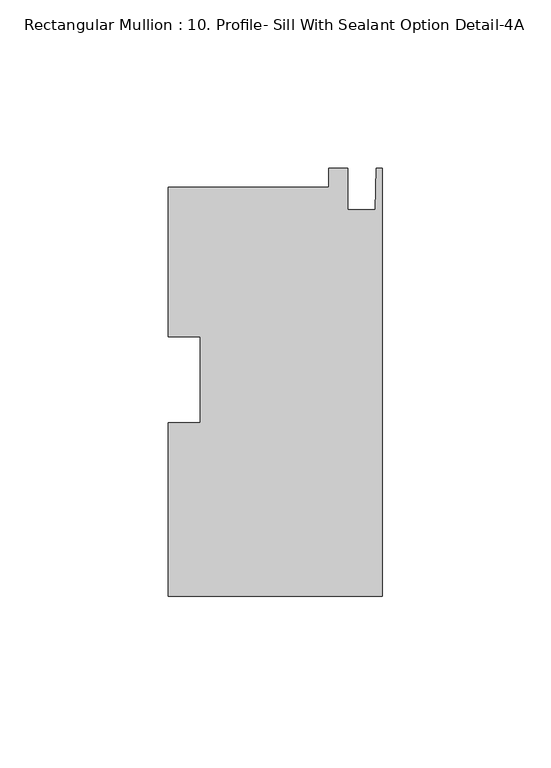
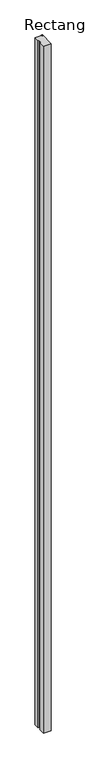
"""IFC4 building model written with IfcOpenShell, lengths in millimetres: member geometry, Rectangular Mullion : 10. Profile- Sill With Sealant Option Detail-4A."""

import ifcopenshell
import ifcopenshell.guid

model = None  # the IFC model being written
_history = None  # IfcOwnerHistory: only IFC2X3 demands one
_inside = {}  # id of a spatial element -> (the spatial element, [elements in it])
_under = {}  # id of a project, library or spatial element -> (it, [spatial elements below it])
_declared = {}  # id of a project -> (the project, [libraries it declares])
_typed = {}  # id of a type object -> (the type object, [elements of that type])
_made_of = {}  # id of a material, layer set ... -> (it, [elements and type objects made of it])


def new_model(schema):
    """Start an empty IFC model of exactly this schema.

    Asked for "IFC4X3", IfcOpenShell would pick the latest addendum, in which some entities
    have other attributes; the version numbers below select the first issue.
    IFC2X3 requires an IfcOwnerHistory on every rooted entity: one is made here for all.
    """
    global model, _history
    if schema == "IFC4X3":
        model = ifcopenshell.file(schema_version=(4, 3, 0, 0))
    else:
        model = ifcopenshell.file(schema=schema)
    _inside.clear()
    _under.clear()
    _declared.clear()
    _typed.clear()
    _made_of.clear()
    _history = None
    if model.schema == "IFC2X3":
        org = make("IfcOrganization", Name="unknown")
        user = make(
            "IfcPersonAndOrganization",
            ThePerson=make("IfcPerson", FamilyName="unknown"),
            TheOrganization=org,
        )
        app = make(
            "IfcApplication",
            ApplicationDeveloper=org,
            Version="unknown",
            ApplicationFullName="unknown",
            ApplicationIdentifier="unknown",
        )
        _history = make(
            "IfcOwnerHistory",
            OwningUser=user,
            OwningApplication=app,
            ChangeAction="ADDED",
            CreationDate=0,
        )
    return model


def make(cls, **values):
    """One entity of the class cls with the attributes given. An attribute that is None is left unset."""
    return model.create_entity(
        cls, **{name: value for name, value in values.items() if value is not None}
    )


def rooted(cls, **values):
    """An entity with a GlobalId (a new one), such as an element, a storey or a relation."""
    return make(cls, GlobalId=ifcopenshell.guid.new(), OwnerHistory=_history, **values)


def si_unit(unit_type, name, prefix=None):
    """IfcSIUnit, for example si_unit("LENGTHUNIT", "METRE", prefix="MILLI")."""
    return make("IfcSIUnit", UnitType=unit_type, Prefix=prefix, Name=name)


def assignment(units):
    """IfcUnitAssignment: the units of a project."""
    return None if units is None else make("IfcUnitAssignment", Units=units)


def point(xyz):
    """IfcCartesianPoint."""
    return None if xyz is None else make("IfcCartesianPoint", Coordinates=xyz)


def direction(xyz):
    """IfcDirection."""
    return None if xyz is None else make("IfcDirection", DirectionRatios=xyz)


def frame(location, z_axis=None, x_axis=None):
    """IfcAxis2Placement3D, a coordinate frame: its origin and axes. An axis left out is left unset."""
    return make(
        "IfcAxis2Placement3D",
        Location=point(location),
        Axis=direction(z_axis),
        RefDirection=direction(x_axis),
    )


def origin():
    """The frame at (0, 0, 0) with its axes left unset."""
    return frame((0.0, 0.0, 0.0))


def place(relative_to, where):
    """IfcLocalPlacement: puts the frame where relative to a parent placement (None: the world)."""
    return make(
        "IfcLocalPlacement", PlacementRelTo=relative_to, RelativePlacement=where
    )


def context(
    kind, dimensions, precision=None, world=None, true_north=None, identifier=None
):
    """IfcGeometricRepresentationContext, for example the 3D "Model" context."""
    return make(
        "IfcGeometricRepresentationContext",
        ContextIdentifier=identifier,
        ContextType=kind,
        CoordinateSpaceDimension=dimensions,
        Precision=precision,
        WorldCoordinateSystem=world,
        TrueNorth=true_north,
    )


def project(units=None, contexts=None):
    """IfcProject with its units and contexts."""
    return rooted(
        "IfcProject",
        Name="project",
        RepresentationContexts=contexts,
        UnitsInContext=assignment(units),
    )


def spatial(cls, under=None, at=None, **own):
    """A site, building, storey or space (cls), placed at a placement, below another one or the project."""
    s = rooted(cls, ObjectPlacement=at, **own)
    if under is not None:
        _under.setdefault(under.id(), (under, []))[1].append(s)
    return s


def polyline(points):
    """IfcPolyline through the points."""
    return make("IfcPolyline", Points=[point(p) for p in points])


def outline(outer, holes=None, kind="AREA"):
    """IfcArbitraryClosedProfileDef: a profile drawn as a closed curve; with holes, ...WithVoids."""
    if holes is None:
        return make("IfcArbitraryClosedProfileDef", ProfileType=kind, OuterCurve=outer)
    return make(
        "IfcArbitraryProfileDefWithVoids",
        ProfileType=kind,
        OuterCurve=outer,
        InnerCurves=holes,
    )


def extrude(swept, where, along, depth):
    """IfcExtrudedAreaSolid: the profile swept, set in the frame where, extruded along a direction by depth."""
    return make(
        "IfcExtrudedAreaSolid",
        SweptArea=swept,
        Position=where,
        ExtrudedDirection=direction(along),
        Depth=depth,
    )


def shape(context_of_items, identifier, shape_type, items):
    """IfcShapeRepresentation: the items that make up one representation, for example the "Body"."""
    return make(
        "IfcShapeRepresentation",
        ContextOfItems=context_of_items,
        RepresentationIdentifier=identifier,
        RepresentationType=shape_type,
        Items=items,
    )


def source(mapping_origin, context_of_items, identifier, shape_type, items):
    """IfcRepresentationMap: a shape defined once, which mapped items show again and again."""
    return make(
        "IfcRepresentationMap",
        MappingOrigin=mapping_origin,
        MappedRepresentation=shape(context_of_items, identifier, shape_type, items),
    )


def transform(
    local_origin,
    x_axis=None,
    y_axis=None,
    z_axis=None,
    scale=None,
    scale2=None,
    scale3=None,
    uniform=True,
):
    """IfcCartesianTransformationOperator3D, or its non-uniform kind. x_axis, y_axis, z_axis: its Axis1, 2, 3."""
    if uniform:
        return make(
            "IfcCartesianTransformationOperator3D",
            Axis1=direction(x_axis),
            Axis2=direction(y_axis),
            LocalOrigin=point(local_origin),
            Scale=scale,
            Axis3=direction(z_axis),
        )
    return make(
        "IfcCartesianTransformationOperator3DnonUniform",
        Axis1=direction(x_axis),
        Axis2=direction(y_axis),
        LocalOrigin=point(local_origin),
        Scale=scale,
        Axis3=direction(z_axis),
        Scale2=scale2,
        Scale3=scale3,
    )


def mapped(mapping_source, mapping_target):
    """IfcMappedItem: shows the shape of a source again, moved by a transform."""
    return make(
        "IfcMappedItem", MappingSource=mapping_source, MappingTarget=mapping_target
    )


def made_of(thing, what):
    """Note that an element or type object is made of a material, layer set ...; save() writes the relation."""
    if what is not None:
        _made_of.setdefault(what.id(), (what, []))[1].append(thing)
    return thing


def element(
    cls,
    number,
    at=None,
    inside=None,
    cuts=None,
    type_object=None,
    material=None,
    context=None,
    identifier="Body",
    shape_type=None,
    held_by="IfcProductDefinitionShape",
    body=None,
    shapes=None,
    **own,
):
    """One element of the class cls, such as IfcWall. Its Tag is "e" and its number.

    at: its placement. inside: the storey or other place that contains it. cuts: it is an
    opening in that element (IfcRelVoidsElement). A single representation is given by context,
    identifier, shape_type and body (its items); several are given by shapes. held_by: the class
    of the entity that holds the representations. save() writes the other relations.
    """
    e = rooted(cls, Tag="e%d" % number, ObjectPlacement=at, **own)
    if body is not None:
        shapes = [shape(context, identifier, shape_type, body)]
    if shapes is not None:
        e.Representation = make(held_by, Representations=shapes)
    if inside is not None:
        _inside.setdefault(inside.id(), (inside, []))[1].append(e)
    if cuts is not None:
        rooted(
            "IfcRelVoidsElement", RelatingBuildingElement=cuts, RelatedOpeningElement=e
        )
    if type_object is not None:
        _typed.setdefault(type_object.id(), (type_object, []))[1].append(e)
    return made_of(e, material)


def aggregate(whole, parts):
    """IfcRelAggregates: a whole, such as a stair, and the parts it consists of."""
    return rooted("IfcRelAggregates", RelatingObject=whole, RelatedObjects=parts)


def save(model, path):
    """Write the relations noted so far, then the file.

    IfcRelAggregates (storeys below a building ...), IfcRelContainedInSpatialStructure (elements
    in a storey), IfcRelDefinesByType, IfcRelAssociatesMaterial and IfcRelDeclares: one each for
    every whole, place, type object, material and project.
    """
    for whole, parts in _under.values():
        aggregate(whole, parts)
    for where, things in _inside.values():
        rooted(
            "IfcRelContainedInSpatialStructure",
            RelatedElements=things,
            RelatingStructure=where,
        )
    for kind, things in _typed.values():
        rooted("IfcRelDefinesByType", RelatedObjects=things, RelatingType=kind)
    for what, things in _made_of.values():
        rooted("IfcRelAssociatesMaterial", RelatedObjects=things, RelatingMaterial=what)
    for by, libraries in _declared.values():
        rooted("IfcRelDeclares", RelatingContext=by, RelatedDefinitions=libraries)
    model.write(path)


def rectangular_mullion_10_profile_sill_with_sealant_option_f562520f(model_context):
    return source(origin(), model_context, "Body", "SweptSolid", [
        extrude(outline(polyline([(0.0, -64.3180651), (-63.5, -64.3180651), (-63.5, -12.7856043), (-53.975, -12.7856043), (-53.975, 12.7020941), (-63.5, 12.7020941), (-63.5, 57.1193349), (-15.8694428, 57.1193349), (-15.8694428, 62.6819349), (-10.3124, 62.6819349), (-10.3124, 50.3375349), (-2.032, 50.3375349), (-1.778, 62.6819349), (0.0, 62.6819349), (0.0, -64.3180651)])), frame((0.0, 0.0, -6019.8), z_axis=(0.0, 0.0, 1.0), x_axis=(1.0, 0.0, 0.0)), (0.0, 0.0, 1.0), 6019.8),
    ])


if __name__ == "__main__":
    model = new_model("IFC4")
    model_context = context("Model", 3, world=origin())
    ifc_project = project(units=[si_unit("LENGTHUNIT", "METRE", prefix="MILLI")], contexts=[model_context])
    site = spatial("IfcSite", under=ifc_project)
    building = spatial("IfcBuilding", under=site)
    placement = place(None, origin())
    rectangular_mullion_10_profile_sill_with_sealant_option_shape = rectangular_mullion_10_profile_sill_with_sealant_option_f562520f(model_context)
    element("IfcMember", 1, ObjectType="Rectangular Mullion : 10. Profile- Sill With Sealant Option Detail-4A", at=placement, inside=building, context=model_context, shape_type="MappedRepresentation", body=[
        mapped(rectangular_mullion_10_profile_sill_with_sealant_option_shape, transform((0.0, 0.0, 0.0), x_axis=(1.0, 0.0, 0.0), y_axis=(0.0, 1.0, 0.0), z_axis=(0.0, 0.0, 1.0))),
    ])
    save(model, "model.ifc")
